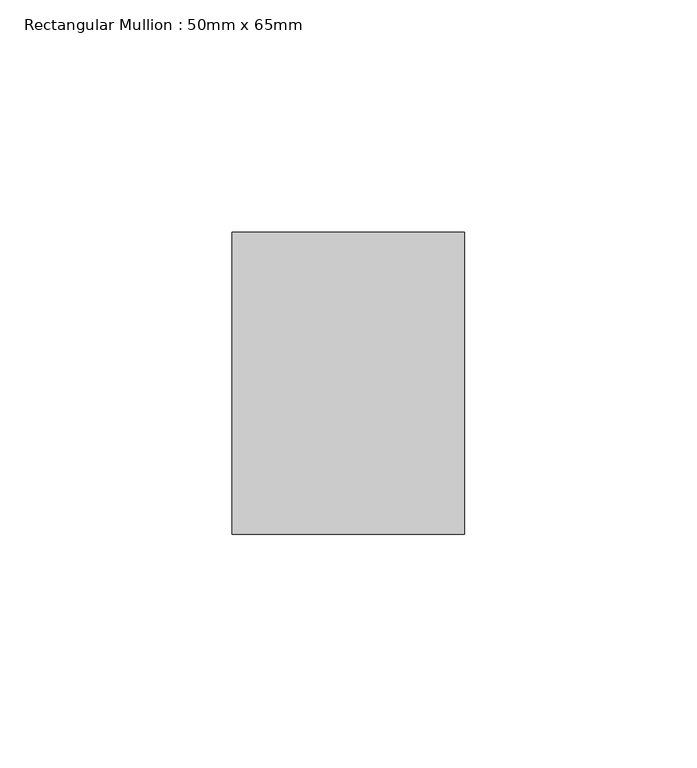
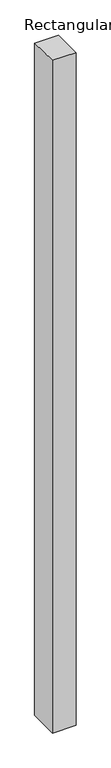
"""IFC4 building model written with IfcOpenShell, lengths in millimetres: member geometry, Rectangular Mullion : 50mm x 65mm."""

from ifc_helpers import new_model, si_unit, origin, place, context, project, spatial, faceted_brep, source, transform, mapped, element, save


def rectangular_mullion_50mm_x_65mm_e37c7419(model_context):
    return source(origin(), model_context, "Body", "Brep", [
        faceted_brep([(-25.0, 32.5, -0.3057239), (25.0, 32.5, -0.3057244), (25.0, 32.5, -1499.7973423), (-25.0, 32.5, -1499.7973425), (-25.0, -32.5, 0.3057244), (-25.0, -32.5, -1500.2028191), (25.0, -32.5, 0.3057239), (25.0, -32.5, -1500.2028188)], [[[0, 1, 2, 3]], [[4, 0, 3, 5]], [[6, 4, 5, 7]], [[1, 6, 7, 2]], [[1, 0, 4, 6]], [[2, 7, 5, 3]]]),
    ])


if __name__ == "__main__":
    model = new_model("IFC4")
    model_context = context("Model", 3, world=origin())
    ifc_project = project(units=[si_unit("LENGTHUNIT", "METRE", prefix="MILLI")], contexts=[model_context])
    site = spatial("IfcSite", under=ifc_project)
    building = spatial("IfcBuilding", under=site)
    placement = place(None, origin())
    rectangular_mullion_50mm_x_65mm_shape = rectangular_mullion_50mm_x_65mm_e37c7419(model_context)
    element("IfcMember", 1, ObjectType="Rectangular Mullion : 50mm x 65mm", at=placement, inside=building, context=model_context, shape_type="MappedRepresentation", body=[
        mapped(rectangular_mullion_50mm_x_65mm_shape, transform((0.0, 0.0, 0.0), x_axis=(1.0, 0.0, 0.0), y_axis=(0.0, 1.0, 0.0), z_axis=(0.0, 0.0, 1.0))),
    ])
    save(model, "model.ifc")
